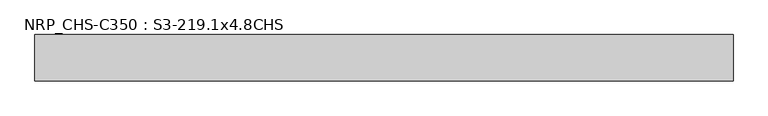
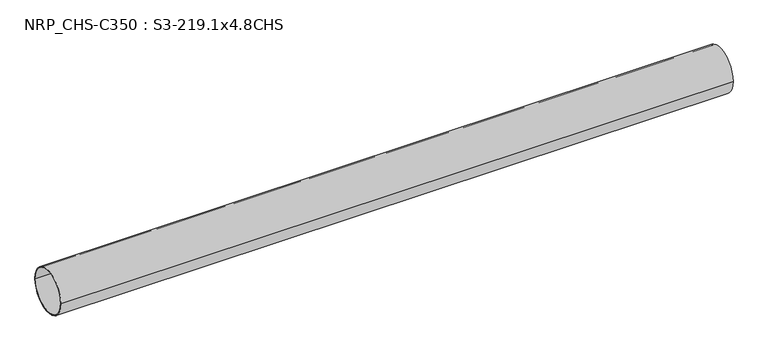
"""IFC4 building model written with IfcOpenShell, lengths in millimetres: beam geometry, NRP_CHS-C350 : S3-219.1x4.8CHS."""

from ifc_helpers import new_model, si_unit, point, frame, origin, origin_2d, place, context, project, spatial, circle_curve, trimmed, segment, composite_curve, outline, extrude, source, transform, mapped, element, save


def nrp_chs_c350_s3_219_1x4_8chs_520827a8(model_context):
    return source(origin(), model_context, "Body", "SweptSolid", [
        extrude(outline(composite_curve([segment(trimmed(circle_curve(origin_2d(), 109.55), [point((-109.55, 0.0))], [point((109.55, 0.0))], False, "CARTESIAN"), True, "CONTINUOUS"), segment(trimmed(circle_curve(origin_2d(), 109.55), [point((109.55, 0.0))], [point((-109.55, 0.0))], False, "CARTESIAN"), True, "CONTINUOUS")], self_intersect=False), holes=[composite_curve([segment(trimmed(circle_curve(origin_2d(), 104.75), [point((104.75, 0.0))], [point((-104.75, 0.0))], True, "CARTESIAN"), True, "CONTINUOUS"), segment(trimmed(circle_curve(origin_2d(), 104.75), [point((-104.75, 0.0))], [point((104.75, 0.0))], True, "CARTESIAN"), True, "CONTINUOUS")], self_intersect=False)]), frame((-1661.2, 0.0, 0.0), z_axis=(1.0, 0.0, 0.0), x_axis=(0.0, 1.0, 0.0)), (0.0, 0.0, 1.0), 3289.8),
    ])


if __name__ == "__main__":
    model = new_model("IFC4")
    model_context = context("Model", 3, world=origin())
    ifc_project = project(units=[si_unit("LENGTHUNIT", "METRE", prefix="MILLI")], contexts=[model_context])
    site = spatial("IfcSite", under=ifc_project)
    building = spatial("IfcBuilding", under=site)
    placement = place(None, origin())
    nrp_chs_c350_s3_219_1x4_8chs_shape = nrp_chs_c350_s3_219_1x4_8chs_520827a8(model_context)
    element("IfcBeam", 1, ObjectType="NRP_CHS-C350 : S3-219.1x4.8CHS", at=placement, inside=building, context=model_context, shape_type="MappedRepresentation", body=[
        mapped(nrp_chs_c350_s3_219_1x4_8chs_shape, transform((0.0, 0.0, 0.0), x_axis=(1.0, 0.0, 0.0), y_axis=(0.0, 1.0, 0.0), z_axis=(0.0, 0.0, 1.0))),
    ])
    save(model, "model.ifc")
